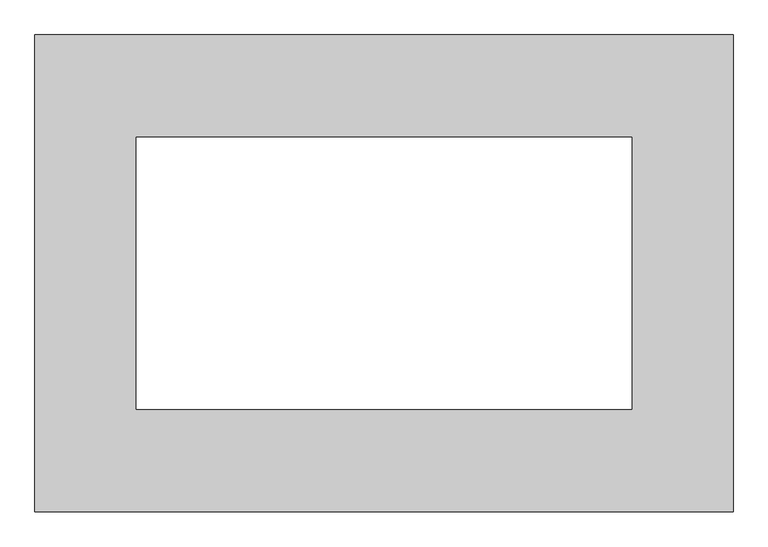
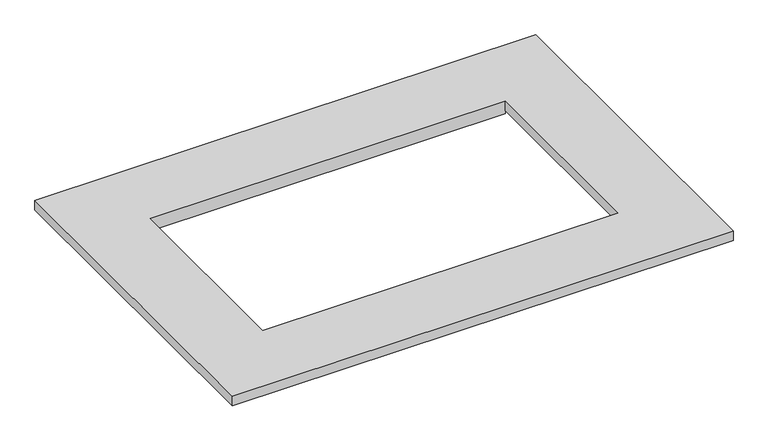
"""IFC4 building model written with IfcOpenShell, lengths in millimetres: proxy geometry."""

from ifc_helpers import new_model, si_unit, origin, place, context, project, spatial, faceted_brep, source, transform, mapped, element, save


def generic_models_350392cb(model_context):
    return source(origin(), model_context, "Body", "Brep", [
        faceted_brep([(-632.91085, 432.3969, 25.4), (-632.91085, -432.3969, 25.4), (632.91085, -432.3969, 25.4), (632.91085, 432.3969, 25.4), (448.76085, 246.5451, 25.4), (448.76085, -246.5451, 25.4), (-448.76085, -246.5451, 25.4), (-448.76085, 246.5451, 25.4), (-632.91085, 432.3969, 0.0), (632.91085, 432.3969, 0.0), (632.91085, -432.3969, 0.0), (-632.91085, -432.3969, 0.0), (-448.76085, 246.5451, 0.0), (-448.76085, -246.5451, 0.0), (-448.76085, -247.5611, 0.0), (448.76085, -247.5611, 0.0), (448.76085, -246.5451, 0.0), (448.76085, 246.5451, 0.0), (448.76085, 247.5611, 0.0), (-448.76085, 247.5611, 0.0), (448.76085, -246.5451, -7.7978), (-448.76085, -246.5451, -7.7978), (-448.76085, 246.5451, -7.7978), (448.76085, 246.5451, -7.7978), (448.76085, 260.1595, -7.7978), (448.76085, 260.1595, -6.7818), (448.76085, 247.5611, -6.7818), (-448.76085, 247.5611, -6.7818), (-448.76085, 260.1595, -6.7818), (-448.76085, 260.1595, -7.7978), (448.76085, -247.5611, -6.7818), (448.76085, -260.1595, -6.7818), (448.76085, -260.1595, -7.7978), (-448.76085, -260.1595, -7.7978), (-448.76085, -260.1595, -6.7818), (-448.76085, -247.5611, -6.7818)], [[[0, 1, 2, 3], [4, 5, 6, 7]], [[8, 9, 10, 11], [12, 13, 14, 15, 16, 17, 18, 19]], [[1, 0, 8, 11]], [[2, 1, 11, 10]], [[3, 2, 10, 9]], [[0, 3, 9, 8]], [[5, 4, 17, 16]], [[6, 5, 16, 20, 21, 13]], [[7, 6, 13, 12]], [[4, 7, 12, 22, 23, 17]], [[23, 24, 25, 26, 18, 17]], [[27, 28, 29, 22, 12, 19]], [[26, 27, 19, 18]], [[26, 25, 28, 27]], [[25, 24, 29, 28]], [[24, 23, 22, 29]], [[30, 31, 32, 20, 16, 15]], [[21, 33, 34, 35, 14, 13]], [[35, 30, 15, 14]], [[31, 30, 35, 34]], [[32, 31, 34, 33]], [[20, 32, 33, 21]]]),
    ])


if __name__ == "__main__":
    model = new_model("IFC4")
    model_context = context("Model", 3, world=origin())
    ifc_project = project(units=[si_unit("LENGTHUNIT", "METRE", prefix="MILLI")], contexts=[model_context])
    site = spatial("IfcSite", under=ifc_project)
    building = spatial("IfcBuilding", under=site)
    placement = place(None, origin())
    generic_models_shape = generic_models_350392cb(model_context)
    element("IfcBuildingElementProxy", 1, Name="Generic Models", at=placement, inside=building, context=model_context, shape_type="MappedRepresentation", body=[
        mapped(generic_models_shape, transform((0.0, 0.0, 0.0), x_axis=(1.0, 0.0, 0.0), y_axis=(0.0, 1.0, 0.0), z_axis=(0.0, 0.0, 1.0))),
    ])
    save(model, "model.ifc")
